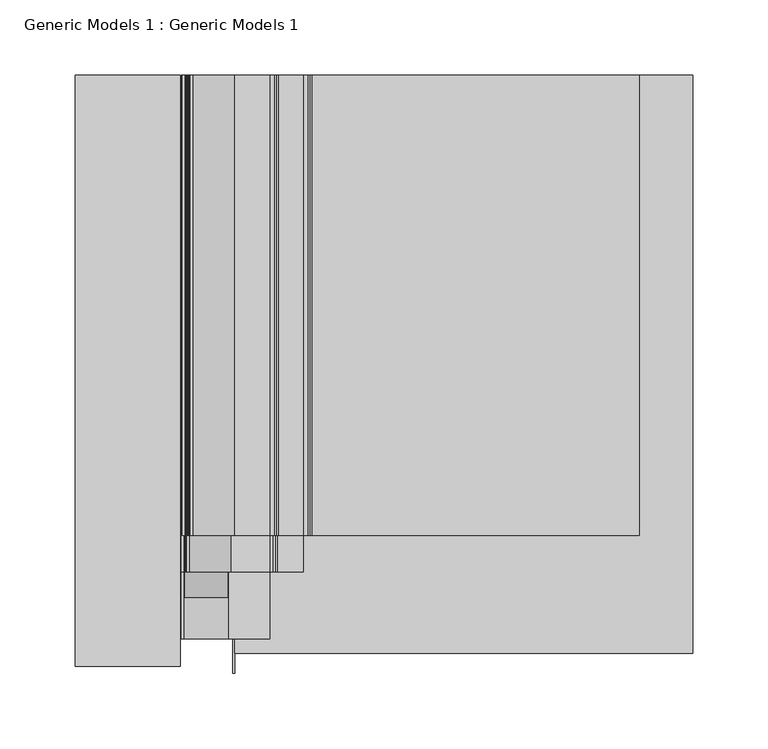
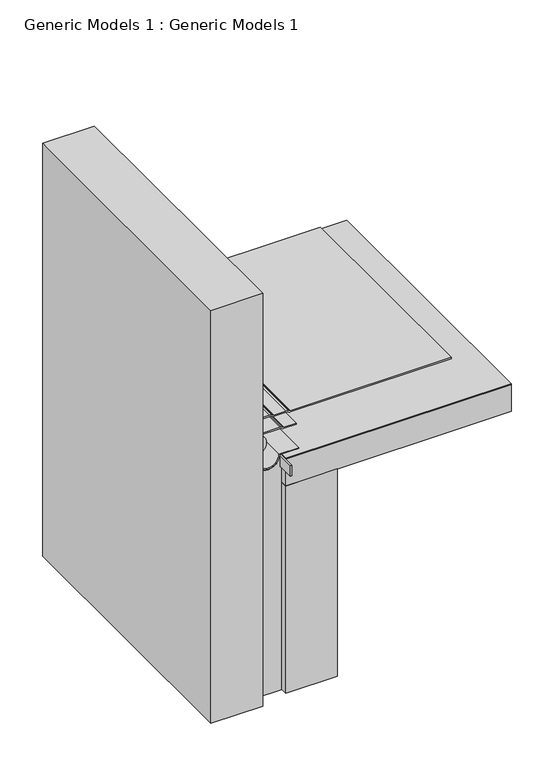
"""IFC4 building model written with IfcOpenShell, lengths in millimetres: proxy geometry, Generic Models 1 : Generic Models 1."""

from ifc_helpers import new_model, si_unit, point, frame, frame_2d, origin, place, context, project, spatial, polyline, circle_curve, trimmed, segment, composite_curve, outline, extrude, source, transform, mapped, element, save


def generic_models_1_generic_models_1_5097ea83(model_context):
    return source(origin(), model_context, "Body", "SweptSolid", [
        extrude(outline(polyline([(150.8125, 8.8441862), (80.9625, 8.8441862), (80.9625, 393.8469389), (150.8125, 393.8469389), (150.8125, 8.8441862)])), frame((0.0, 0.0, 31.75), z_axis=(0.0, 0.0, 1.0), x_axis=(1.0, 0.0, 0.0)), (0.0, 0.0, 1.0), 296.4498414),
        extrude(outline(composite_curve([segment(polyline([(371.8823839, 79.2100655), (371.8823839, 104.0711194)]), True, "CONTINUOUS"), segment(trimmed(circle_curve(frame_2d((366.3261339, 104.0711194)), 5.55625), [point((371.8823839, 104.0711194))], [point((371.3618066, 106.4192922))], True, "CARTESIAN"), True, "CONTINUOUS"), segment(polyline([(371.3618066, 106.4192922), (370.7148005, 107.8068011)]), True, "CONTINUOUS"), segment(trimmed(circle_curve(frame_2d((375.0310914, 109.8195206)), 4.7625), [point((370.7148005, 107.8068011))], [point((370.2685914, 109.8195206))], False, "CARTESIAN"), True, "CONTINUOUS"), segment(polyline([(370.2685914, 109.8195206), (370.2685914, 126.4920393)]), True, "CONTINUOUS"), segment(trimmed(circle_curve(frame_2d((364.7123414, 126.4920393)), 5.55625), [point((370.2685914, 126.4920393))], [point((369.748014, 128.840212))], True, "CARTESIAN"), True, "CONTINUOUS"), segment(polyline([(369.748014, 128.840212), (369.101008, 130.227721)]), True, "CONTINUOUS"), segment(trimmed(circle_curve(frame_2d((373.4172988, 132.2404405)), 4.7625), [point((369.101008, 130.227721))], [point((368.6547988, 132.2404405))], False, "CARTESIAN"), True, "CONTINUOUS"), segment(polyline([(368.6547988, 132.2404405), (368.6547988, 349.9692558), (370.2422988, 349.9692558), (370.2422988, 132.2404405)]), True, "CONTINUOUS"), segment(trimmed(circle_curve(frame_2d((373.4172988, 132.2404405)), 3.175), [point((370.2422988, 132.2404405))], [point((370.5397716, 130.8986275))], True, "CARTESIAN"), True, "CONTINUOUS"), segment(polyline([(370.5397716, 130.8986275), (371.1867776, 129.5111185)]), True, "CONTINUOUS"), segment(trimmed(circle_curve(frame_2d((364.7123414, 126.4920393)), 7.14375), [point((371.1867776, 129.5111185))], [point((371.8560914, 126.4920393))], False, "CARTESIAN"), True, "CONTINUOUS"), segment(polyline([(371.8560914, 126.4920393), (371.8560914, 109.8195206)]), True, "CONTINUOUS"), segment(trimmed(circle_curve(frame_2d((375.0310914, 109.8195206)), 3.175), [point((371.8560914, 109.8195206))], [point((372.1535641, 108.4777076))], True, "CARTESIAN"), True, "CONTINUOUS"), segment(polyline([(372.1535641, 108.4777076), (372.8005702, 107.0901987)]), True, "CONTINUOUS"), segment(trimmed(circle_curve(frame_2d((366.3261339, 104.0711194)), 7.14375), [point((372.8005702, 107.0901987))], [point((373.4698839, 104.0711194))], False, "CARTESIAN"), True, "CONTINUOUS"), segment(polyline([(373.4698839, 104.0711194), (373.4698839, 80.5416976)]), True, "CONTINUOUS"), segment(trimmed(circle_curve(frame_2d((369.4879876, 61.9125)), 19.05), [point((373.4698839, 80.5416976))], [point((386.3876302, 53.1201976))], False, "CARTESIAN"), True, "CONTINUOUS"), segment(trimmed(circle_curve(frame_2d((387.7959337, 52.3875057)), 1.5875), [point((386.3876302, 53.1201976))], [point((387.7959337, 50.8000057))], True, "CARTESIAN"), True, "CONTINUOUS"), segment(polyline([(387.7959337, 50.8000057), (396.7434379, 50.8000057)]), True, "CONTINUOUS"), segment(trimmed(circle_curve(frame_2d((396.7434379, 43.6562557)), 7.14375), [point((396.7434379, 50.8000057))], [point((399.7625171, 50.130692))], False, "CARTESIAN"), True, "CONTINUOUS"), segment(polyline([(399.7625171, 50.130692), (401.150026, 49.4836859)]), True, "CONTINUOUS"), segment(trimmed(circle_curve(frame_2d((402.491839, 52.3612132)), 3.175), [point((401.150026, 49.4836859))], [point((402.491839, 49.1862132))], True, "CARTESIAN"), True, "CONTINUOUS"), segment(polyline([(402.491839, 49.1862132), (419.1643577, 49.1862132)]), True, "CONTINUOUS"), segment(trimmed(circle_curve(frame_2d((419.1643577, 42.0424632)), 7.14375), [point((419.1643577, 49.1862132))], [point((422.183437, 48.5168994))], False, "CARTESIAN"), True, "CONTINUOUS"), segment(polyline([(422.183437, 48.5168994), (423.5709459, 47.8698934)]), True, "CONTINUOUS"), segment(trimmed(circle_curve(frame_2d((424.9127589, 50.7474206)), 3.175), [point((423.5709459, 47.8698934))], [point((424.9127589, 47.5724206))], True, "CARTESIAN"), True, "CONTINUOUS"), segment(polyline([(424.9127589, 47.5724206), (583.3108186, 47.5724206), (583.3108186, 45.9849206), (424.9127589, 45.9849206)]), True, "CONTINUOUS"), segment(trimmed(circle_curve(frame_2d((424.9127589, 50.7474206)), 4.7625), [point((424.9127589, 45.9849206))], [point((422.9000394, 46.4311298))], False, "CARTESIAN"), True, "CONTINUOUS"), segment(polyline([(422.9000394, 46.4311298), (421.5125305, 47.0781358)]), True, "CONTINUOUS"), segment(trimmed(circle_curve(frame_2d((419.1643577, 42.0424632)), 5.55625), [point((421.5125305, 47.0781358))], [point((419.1643577, 47.5987132))], True, "CARTESIAN"), True, "CONTINUOUS"), segment(polyline([(419.1643577, 47.5987132), (402.491839, 47.5987132)]), True, "CONTINUOUS"), segment(trimmed(circle_curve(frame_2d((402.491839, 52.3612132)), 4.7625), [point((402.491839, 47.5987132))], [point((400.4791195, 48.0449223))], False, "CARTESIAN"), True, "CONTINUOUS"), segment(polyline([(400.4791195, 48.0449223), (399.0916106, 48.6919284)]), True, "CONTINUOUS"), segment(trimmed(circle_curve(frame_2d((396.7434379, 43.6562557)), 5.55625), [point((399.0916106, 48.6919284))], [point((396.7434379, 49.2125057))], True, "CARTESIAN"), True, "CONTINUOUS"), segment(polyline([(396.7434379, 49.2125057), (387.7959337, 49.2125057)]), True, "CONTINUOUS"), segment(trimmed(circle_curve(frame_2d((387.7959337, 52.3875057)), 3.175), [point((387.7959337, 49.2125057))], [point((384.9793267, 53.8528895))], False, "CARTESIAN"), True, "CONTINUOUS"), segment(trimmed(circle_curve(frame_2d((369.4879876, 61.9125)), 17.4625), [point((384.9793267, 53.8528895))], [point((371.8823839, 79.2100655))], True, "CARTESIAN"), True, "CONTINUOUS")], self_intersect=False)), frame((0.0, 87.3730793, 0.0), z_axis=(0.0, 1.0, 0.0), x_axis=(0.0, 0.0, 1.0)), (0.0, 0.0, 1.0), 306.4738597),
        extrude(outline(composite_curve([segment(polyline([(371.0886339, 104.0711194), (371.0886339, 78.5042196)]), True, "CONTINUOUS"), segment(trimmed(circle_curve(frame_2d((369.4879876, 61.9125)), 16.66875), [point((371.0886339, 78.5042196))], [point((382.1240612, 51.0415813))], False, "CARTESIAN"), True, "CONTINUOUS"), segment(trimmed(circle_curve(frame_2d((383.3274967, 50.0062557)), 1.5875), [point((382.1240612, 51.0415813))], [point((383.3274967, 48.4187557))], True, "CARTESIAN"), True, "CONTINUOUS"), segment(polyline([(383.3274967, 48.4187557), (396.5785091, 48.4187557)]), True, "CONTINUOUS"), segment(trimmed(circle_curve(frame_2d((396.5785091, 43.6562557)), 4.7625), [point((396.5785091, 48.4187557))], [point((398.5912286, 47.9725466))], False, "CARTESIAN"), True, "CONTINUOUS"), segment(polyline([(398.5912286, 47.9725466), (400.4571868, 47.1024359)]), True, "CONTINUOUS"), segment(trimmed(circle_curve(frame_2d((401.7989998, 49.9799632)), 3.175), [point((400.4571868, 47.1024359))], [point((401.7989998, 46.8049632))], True, "CARTESIAN"), True, "CONTINUOUS"), segment(polyline([(401.7989998, 46.8049632), (418.999429, 46.8049632), (418.999429, 45.2174632), (401.7989998, 45.2174632)]), True, "CONTINUOUS"), segment(trimmed(circle_curve(frame_2d((401.7989998, 49.9799632)), 4.7625), [point((401.7989998, 45.2174632))], [point((399.7862803, 45.6636723))], False, "CARTESIAN"), True, "CONTINUOUS"), segment(polyline([(399.7862803, 45.6636723), (397.9203221, 46.533783)]), True, "CONTINUOUS"), segment(trimmed(circle_curve(frame_2d((396.5785091, 43.6562557)), 3.175), [point((397.9203221, 46.533783))], [point((396.5785091, 46.8312557))], True, "CARTESIAN"), True, "CONTINUOUS"), segment(polyline([(396.5785091, 46.8312557), (383.3274967, 46.8312557)]), True, "CONTINUOUS"), segment(trimmed(circle_curve(frame_2d((383.3274967, 50.0062557)), 3.175), [point((383.3274967, 46.8312557))], [point((380.9206256, 52.0769069))], False, "CARTESIAN"), True, "CONTINUOUS"), segment(trimmed(circle_curve(frame_2d((369.4879876, 61.9125)), 15.08125), [point((380.9206256, 52.0769069))], [point((369.5011339, 76.9937443))], True, "CARTESIAN"), True, "CONTINUOUS"), segment(polyline([(369.5011339, 76.9937443), (369.5011339, 104.0711194)]), True, "CONTINUOUS"), segment(trimmed(circle_curve(frame_2d((366.3261339, 104.0711194)), 3.175), [point((369.5011339, 104.0711194))], [point((369.2036612, 105.4129324))], True, "CARTESIAN"), True, "CONTINUOUS"), segment(polyline([(369.2036612, 105.4129324), (368.3335505, 107.2788907)]), True, "CONTINUOUS"), segment(trimmed(circle_curve(frame_2d((372.6498414, 109.2916102)), 4.7625), [point((368.3335505, 107.2788907))], [point((367.8873414, 109.2916102))], False, "CARTESIAN"), True, "CONTINUOUS"), segment(polyline([(367.8873414, 109.2916102), (367.8873414, 126.4920393), (369.4748414, 126.4920393), (369.4748414, 109.2916102)]), True, "CONTINUOUS"), segment(trimmed(circle_curve(frame_2d((372.6498414, 109.2916102)), 3.175), [point((369.4748414, 109.2916102))], [point((369.7723141, 107.9497972))], True, "CARTESIAN"), True, "CONTINUOUS"), segment(polyline([(369.7723141, 107.9497972), (370.6424248, 106.0838389)]), True, "CONTINUOUS"), segment(trimmed(circle_curve(frame_2d((366.3261339, 104.0711194)), 4.7625), [point((370.6424248, 106.0838389))], [point((371.0886339, 104.0711194))], False, "CARTESIAN"), True, "CONTINUOUS")], self_intersect=False)), frame((0.0, 62.966143, 0.0), z_axis=(0.0, 1.0, 0.0), x_axis=(0.0, 0.0, 1.0)), (0.0, 0.0, 1.0), 330.8807959),
        extrude(outline(composite_curve([segment(trimmed(circle_curve(frame_2d((369.4879876, 61.9125)), 14.2875), [point((369.4879876, 47.625))], [point((369.4879876, 76.2))], False, "CARTESIAN"), True, "CONTINUOUS"), segment(trimmed(circle_curve(frame_2d((369.4879876, 61.9125)), 14.2875), [point((369.4879876, 76.2))], [point((369.4879876, 47.625))], False, "CARTESIAN"), True, "CONTINUOUS")], self_intersect=False)), frame((0.0, 45.9883001, 0.0), z_axis=(0.0, 1.0, 0.0), x_axis=(0.0, 0.0, 1.0)), (0.0, 0.0, 1.0), 347.8586389),
        extrude(outline(polyline([(79.375, 393.8469389), (80.9625, 393.8469389), (80.9625, -4.6900438), (79.375, -4.6900438), (79.375, 393.8469389)])), frame((0.0, 0.0, 351.2118848), z_axis=(0.0, 0.0, 1.0), x_axis=(1.0, 0.0, 0.0)), (0.0, 0.0, 1.0), 15.0879565),
        extrude(outline(polyline([(80.9625, 393.8469389), (385.7625, 393.8469389), (385.7625, 8.8441862), (80.9625, 8.8441862), (80.9625, 393.8469389)])), frame((0.0, 0.0, 367.0935914), z_axis=(0.0, 0.0, 1.0), x_axis=(1.0, 0.0, 0.0)), (0.0, 0.0, 1.0), 0.79375),
        extrude(outline(polyline([(80.9625, 393.8469389), (385.7625, 393.8469389), (385.7625, 8.8441862), (80.9625, 8.8441862), (80.9625, 393.8469389)])), frame((0.0, 0.0, 328.1998414), z_axis=(0.0, 0.0, 1.0), x_axis=(1.0, 0.0, 0.0)), (0.0, 0.0, 1.0), 38.1),
        extrude(outline(composite_curve([segment(polyline([(364.2830208, 45.24375), (31.75, 45.24375), (31.75, 80.16875), (350.4181348, 80.16875), (350.4181348, 78.58125), (364.2830208, 78.58125)]), True, "CONTINUOUS"), segment(trimmed(circle_curve(frame_2d((369.4879876, 61.9125)), 17.4625), [point((364.2830208, 78.58125))], [point((364.2830208, 45.24375))], True, "CARTESIAN"), True, "CONTINUOUS")], self_intersect=False)), frame((0.0, 18.3920053, 0.0), z_axis=(0.0, 1.0, 0.0), x_axis=(0.0, 0.0, 1.0)), (0.0, 0.0, 1.0), 375.4549336),
        extrude(outline(composite_curve([segment(polyline([(367.8873414, 103.98125), (369.4748414, 103.98125), (369.4748414, 76.9937443)]), True, "CONTINUOUS"), segment(trimmed(circle_curve(frame_2d((369.4879876, 61.9125)), 15.08125), [point((369.4748414, 76.9937443))], [point((369.4879876, 46.83125))], True, "CARTESIAN"), True, "CONTINUOUS"), segment(polyline([(369.4879876, 46.83125), (395.6144945, 46.83125), (395.6144945, 45.24375), (369.4879876, 45.24375)]), True, "CONTINUOUS"), segment(trimmed(circle_curve(frame_2d((369.4879876, 61.9125)), 16.66875), [point((369.4879876, 45.24375))], [point((367.8873414, 78.5042196))], False, "CARTESIAN"), True, "CONTINUOUS"), segment(polyline([(367.8873414, 78.5042196), (367.8873414, 103.98125)]), True, "CONTINUOUS")], self_intersect=False)), frame((0.0, 18.3920053, 0.0), z_axis=(0.0, 1.0, 0.0), x_axis=(0.0, 0.0, 1.0)), (0.0, 0.0, 1.0), 375.4549336),
        extrude(outline(polyline([(44.45, 0.0), (-25.4, 0.0), (-25.4, 393.8469389), (44.45, 393.8469389), (44.45, 0.0)])), frame((0.0, 0.0, 31.75), z_axis=(0.0, 0.0, 1.0), x_axis=(1.0, 0.0, 0.0)), (0.0, 0.0, 1.0), 589.9629392),
    ])


if __name__ == "__main__":
    model = new_model("IFC4")
    model_context = context("Model", 3, world=origin())
    ifc_project = project(units=[si_unit("LENGTHUNIT", "METRE", prefix="MILLI")], contexts=[model_context])
    site = spatial("IfcSite", under=ifc_project)
    building = spatial("IfcBuilding", under=site)
    placement = place(None, origin())
    generic_models_1_generic_models_1_shape = generic_models_1_generic_models_1_5097ea83(model_context)
    element("IfcBuildingElementProxy", 1, Name="Generic Models 1 : Generic Models 1", ObjectType="Generic Models 1 : Generic Models 1", at=placement, inside=building, context=model_context, shape_type="MappedRepresentation", body=[
        mapped(generic_models_1_generic_models_1_shape, transform((0.0, 0.0, 0.0), x_axis=(1.0, 0.0, 0.0), y_axis=(0.0, 1.0, 0.0), z_axis=(0.0, 0.0, 1.0))),
    ])
    save(model, "model.ifc")
